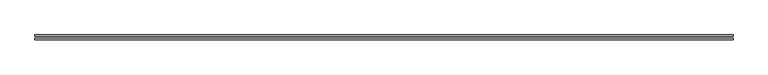
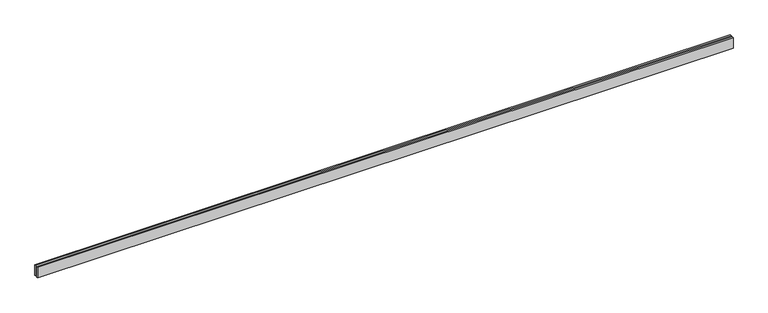
"""IFC4 building model written with IfcOpenShell, lengths in millimetres: proxy geometry."""

import ifcopenshell
import ifcopenshell.guid

model = None  # the IFC model being written
_history = None  # IfcOwnerHistory: only IFC2X3 demands one
_inside = {}  # id of a spatial element -> (the spatial element, [elements in it])
_under = {}  # id of a project, library or spatial element -> (it, [spatial elements below it])
_declared = {}  # id of a project -> (the project, [libraries it declares])
_typed = {}  # id of a type object -> (the type object, [elements of that type])
_made_of = {}  # id of a material, layer set ... -> (it, [elements and type objects made of it])


def new_model(schema):
    """Start an empty IFC model of exactly this schema.

    Asked for "IFC4X3", IfcOpenShell would pick the latest addendum, in which some entities
    have other attributes; the version numbers below select the first issue.
    IFC2X3 requires an IfcOwnerHistory on every rooted entity: one is made here for all.
    """
    global model, _history
    if schema == "IFC4X3":
        model = ifcopenshell.file(schema_version=(4, 3, 0, 0))
    else:
        model = ifcopenshell.file(schema=schema)
    _inside.clear()
    _under.clear()
    _declared.clear()
    _typed.clear()
    _made_of.clear()
    _history = None
    if model.schema == "IFC2X3":
        org = make("IfcOrganization", Name="unknown")
        user = make(
            "IfcPersonAndOrganization",
            ThePerson=make("IfcPerson", FamilyName="unknown"),
            TheOrganization=org,
        )
        app = make(
            "IfcApplication",
            ApplicationDeveloper=org,
            Version="unknown",
            ApplicationFullName="unknown",
            ApplicationIdentifier="unknown",
        )
        _history = make(
            "IfcOwnerHistory",
            OwningUser=user,
            OwningApplication=app,
            ChangeAction="ADDED",
            CreationDate=0,
        )
    return model


def make(cls, **values):
    """One entity of the class cls with the attributes given. An attribute that is None is left unset."""
    return model.create_entity(
        cls, **{name: value for name, value in values.items() if value is not None}
    )


def rooted(cls, **values):
    """An entity with a GlobalId (a new one), such as an element, a storey or a relation."""
    return make(cls, GlobalId=ifcopenshell.guid.new(), OwnerHistory=_history, **values)


def si_unit(unit_type, name, prefix=None):
    """IfcSIUnit, for example si_unit("LENGTHUNIT", "METRE", prefix="MILLI")."""
    return make("IfcSIUnit", UnitType=unit_type, Prefix=prefix, Name=name)


def assignment(units):
    """IfcUnitAssignment: the units of a project."""
    return None if units is None else make("IfcUnitAssignment", Units=units)


def point(xyz):
    """IfcCartesianPoint."""
    return None if xyz is None else make("IfcCartesianPoint", Coordinates=xyz)


def direction(xyz):
    """IfcDirection."""
    return None if xyz is None else make("IfcDirection", DirectionRatios=xyz)


def frame(location, z_axis=None, x_axis=None):
    """IfcAxis2Placement3D, a coordinate frame: its origin and axes. An axis left out is left unset."""
    return make(
        "IfcAxis2Placement3D",
        Location=point(location),
        Axis=direction(z_axis),
        RefDirection=direction(x_axis),
    )


def origin():
    """The frame at (0, 0, 0) with its axes left unset."""
    return frame((0.0, 0.0, 0.0))


def origin_with_axes():
    """The frame at (0, 0, 0) with the z axis (0, 0, 1) and the x axis (1, 0, 0) written out."""
    return frame((0.0, 0.0, 0.0), z_axis=(0.0, 0.0, 1.0), x_axis=(1.0, 0.0, 0.0))


def place(relative_to, where):
    """IfcLocalPlacement: puts the frame where relative to a parent placement (None: the world)."""
    return make(
        "IfcLocalPlacement", PlacementRelTo=relative_to, RelativePlacement=where
    )


def context(
    kind, dimensions, precision=None, world=None, true_north=None, identifier=None
):
    """IfcGeometricRepresentationContext, for example the 3D "Model" context."""
    return make(
        "IfcGeometricRepresentationContext",
        ContextIdentifier=identifier,
        ContextType=kind,
        CoordinateSpaceDimension=dimensions,
        Precision=precision,
        WorldCoordinateSystem=world,
        TrueNorth=true_north,
    )


def project(units=None, contexts=None):
    """IfcProject with its units and contexts."""
    return rooted(
        "IfcProject",
        Name="project",
        RepresentationContexts=contexts,
        UnitsInContext=assignment(units),
    )


def spatial(cls, under=None, at=None, **own):
    """A site, building, storey or space (cls), placed at a placement, below another one or the project."""
    s = rooted(cls, ObjectPlacement=at, **own)
    if under is not None:
        _under.setdefault(under.id(), (under, []))[1].append(s)
    return s


def polyline(points):
    """IfcPolyline through the points."""
    return make("IfcPolyline", Points=[point(p) for p in points])


def outline(outer, holes=None, kind="AREA"):
    """IfcArbitraryClosedProfileDef: a profile drawn as a closed curve; with holes, ...WithVoids."""
    if holes is None:
        return make("IfcArbitraryClosedProfileDef", ProfileType=kind, OuterCurve=outer)
    return make(
        "IfcArbitraryProfileDefWithVoids",
        ProfileType=kind,
        OuterCurve=outer,
        InnerCurves=holes,
    )


def extrude(swept, where, along, depth):
    """IfcExtrudedAreaSolid: the profile swept, set in the frame where, extruded along a direction by depth."""
    return make(
        "IfcExtrudedAreaSolid",
        SweptArea=swept,
        Position=where,
        ExtrudedDirection=direction(along),
        Depth=depth,
    )


def shape(context_of_items, identifier, shape_type, items):
    """IfcShapeRepresentation: the items that make up one representation, for example the "Body"."""
    return make(
        "IfcShapeRepresentation",
        ContextOfItems=context_of_items,
        RepresentationIdentifier=identifier,
        RepresentationType=shape_type,
        Items=items,
    )


def source(mapping_origin, context_of_items, identifier, shape_type, items):
    """IfcRepresentationMap: a shape defined once, which mapped items show again and again."""
    return make(
        "IfcRepresentationMap",
        MappingOrigin=mapping_origin,
        MappedRepresentation=shape(context_of_items, identifier, shape_type, items),
    )


def transform(
    local_origin,
    x_axis=None,
    y_axis=None,
    z_axis=None,
    scale=None,
    scale2=None,
    scale3=None,
    uniform=True,
):
    """IfcCartesianTransformationOperator3D, or its non-uniform kind. x_axis, y_axis, z_axis: its Axis1, 2, 3."""
    if uniform:
        return make(
            "IfcCartesianTransformationOperator3D",
            Axis1=direction(x_axis),
            Axis2=direction(y_axis),
            LocalOrigin=point(local_origin),
            Scale=scale,
            Axis3=direction(z_axis),
        )
    return make(
        "IfcCartesianTransformationOperator3DnonUniform",
        Axis1=direction(x_axis),
        Axis2=direction(y_axis),
        LocalOrigin=point(local_origin),
        Scale=scale,
        Axis3=direction(z_axis),
        Scale2=scale2,
        Scale3=scale3,
    )


def mapped(mapping_source, mapping_target):
    """IfcMappedItem: shows the shape of a source again, moved by a transform."""
    return make(
        "IfcMappedItem", MappingSource=mapping_source, MappingTarget=mapping_target
    )


def made_of(thing, what):
    """Note that an element or type object is made of a material, layer set ...; save() writes the relation."""
    if what is not None:
        _made_of.setdefault(what.id(), (what, []))[1].append(thing)
    return thing


def element(
    cls,
    number,
    at=None,
    inside=None,
    cuts=None,
    type_object=None,
    material=None,
    context=None,
    identifier="Body",
    shape_type=None,
    held_by="IfcProductDefinitionShape",
    body=None,
    shapes=None,
    **own,
):
    """One element of the class cls, such as IfcWall. Its Tag is "e" and its number.

    at: its placement. inside: the storey or other place that contains it. cuts: it is an
    opening in that element (IfcRelVoidsElement). A single representation is given by context,
    identifier, shape_type and body (its items); several are given by shapes. held_by: the class
    of the entity that holds the representations. save() writes the other relations.
    """
    e = rooted(cls, Tag="e%d" % number, ObjectPlacement=at, **own)
    if body is not None:
        shapes = [shape(context, identifier, shape_type, body)]
    if shapes is not None:
        e.Representation = make(held_by, Representations=shapes)
    if inside is not None:
        _inside.setdefault(inside.id(), (inside, []))[1].append(e)
    if cuts is not None:
        rooted(
            "IfcRelVoidsElement", RelatingBuildingElement=cuts, RelatedOpeningElement=e
        )
    if type_object is not None:
        _typed.setdefault(type_object.id(), (type_object, []))[1].append(e)
    return made_of(e, material)


def aggregate(whole, parts):
    """IfcRelAggregates: a whole, such as a stair, and the parts it consists of."""
    return rooted("IfcRelAggregates", RelatingObject=whole, RelatedObjects=parts)


def save(model, path):
    """Write the relations noted so far, then the file.

    IfcRelAggregates (storeys below a building ...), IfcRelContainedInSpatialStructure (elements
    in a storey), IfcRelDefinesByType, IfcRelAssociatesMaterial and IfcRelDeclares: one each for
    every whole, place, type object, material and project.
    """
    for whole, parts in _under.values():
        aggregate(whole, parts)
    for where, things in _inside.values():
        rooted(
            "IfcRelContainedInSpatialStructure",
            RelatedElements=things,
            RelatingStructure=where,
        )
    for kind, things in _typed.values():
        rooted("IfcRelDefinesByType", RelatedObjects=things, RelatingType=kind)
    for what, things in _made_of.values():
        rooted("IfcRelAssociatesMaterial", RelatedObjects=things, RelatingMaterial=what)
    for by, libraries in _declared.values():
        rooted("IfcRelDeclares", RelatingContext=by, RelatedDefinitions=libraries)
    model.write(path)


def generic_models_c6515f13(model_context):
    return source(origin(), model_context, "Body", "SweptSolid", [
        extrude(outline(polyline([(15813.2034356, 25.0), (0.0, 25.0), (0.0, 55.0), (15813.2034356, 55.0), (15813.2034356, 25.0)])), origin_with_axes(), (0.0, 0.0, 1.0), 250.0),
        extrude(outline(polyline([(15813.2034356, -55.0), (0.0, -55.0), (0.0, -25.0), (15813.2034356, -25.0), (15813.2034356, -55.0)])), origin_with_axes(), (0.0, 0.0, 1.0), 250.0),
    ])


if __name__ == "__main__":
    model = new_model("IFC4")
    model_context = context("Model", 3, world=origin())
    ifc_project = project(units=[si_unit("LENGTHUNIT", "METRE", prefix="MILLI")], contexts=[model_context])
    site = spatial("IfcSite", under=ifc_project)
    building = spatial("IfcBuilding", under=site)
    placement = place(None, origin())
    generic_models_shape = generic_models_c6515f13(model_context)
    element("IfcBuildingElementProxy", 1, Name="Generic Models", at=placement, inside=building, context=model_context, shape_type="MappedRepresentation", body=[
        mapped(generic_models_shape, transform((0.0, 0.0, 0.0), x_axis=(1.0, 0.0, 0.0), y_axis=(0.0, 1.0, 0.0), z_axis=(0.0, 0.0, 1.0))),
    ])
    save(model, "model.ifc")
